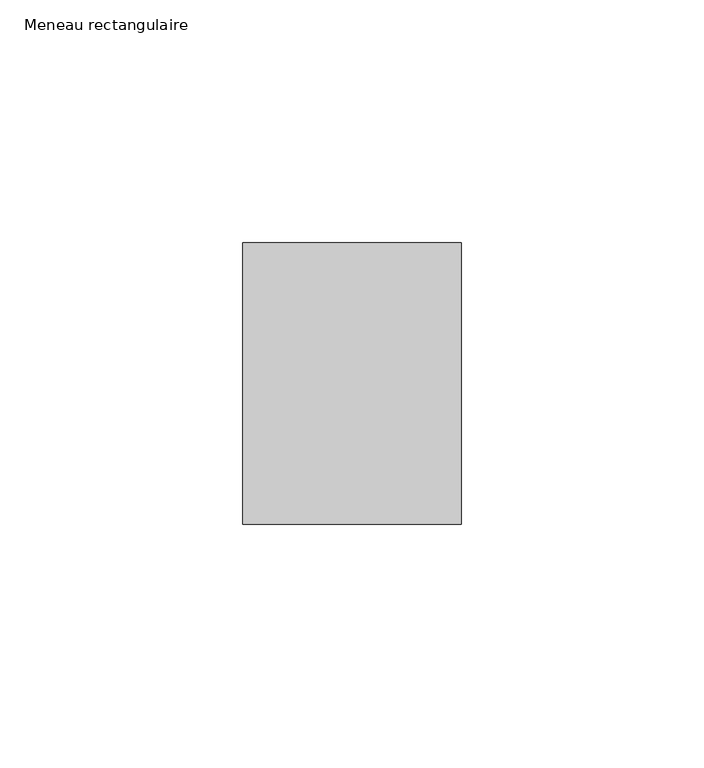
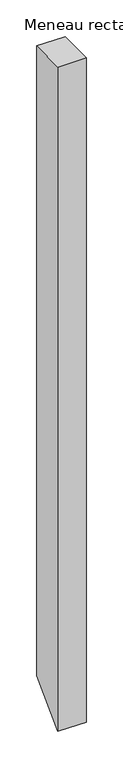
"""IFC4 building model written with IfcOpenShell, lengths in millimetres: member geometry, Meneau rectangulaire."""

import ifcopenshell
import ifcopenshell.guid

model = None  # the IFC model being written
_history = None  # IfcOwnerHistory: only IFC2X3 demands one
_inside = {}  # id of a spatial element -> (the spatial element, [elements in it])
_under = {}  # id of a project, library or spatial element -> (it, [spatial elements below it])
_declared = {}  # id of a project -> (the project, [libraries it declares])
_typed = {}  # id of a type object -> (the type object, [elements of that type])
_made_of = {}  # id of a material, layer set ... -> (it, [elements and type objects made of it])


def new_model(schema):
    """Start an empty IFC model of exactly this schema.

    Asked for "IFC4X3", IfcOpenShell would pick the latest addendum, in which some entities
    have other attributes; the version numbers below select the first issue.
    IFC2X3 requires an IfcOwnerHistory on every rooted entity: one is made here for all.
    """
    global model, _history
    if schema == "IFC4X3":
        model = ifcopenshell.file(schema_version=(4, 3, 0, 0))
    else:
        model = ifcopenshell.file(schema=schema)
    _inside.clear()
    _under.clear()
    _declared.clear()
    _typed.clear()
    _made_of.clear()
    _history = None
    if model.schema == "IFC2X3":
        org = make("IfcOrganization", Name="unknown")
        user = make(
            "IfcPersonAndOrganization",
            ThePerson=make("IfcPerson", FamilyName="unknown"),
            TheOrganization=org,
        )
        app = make(
            "IfcApplication",
            ApplicationDeveloper=org,
            Version="unknown",
            ApplicationFullName="unknown",
            ApplicationIdentifier="unknown",
        )
        _history = make(
            "IfcOwnerHistory",
            OwningUser=user,
            OwningApplication=app,
            ChangeAction="ADDED",
            CreationDate=0,
        )
    return model


def make(cls, **values):
    """One entity of the class cls with the attributes given. An attribute that is None is left unset."""
    return model.create_entity(
        cls, **{name: value for name, value in values.items() if value is not None}
    )


def rooted(cls, **values):
    """An entity with a GlobalId (a new one), such as an element, a storey or a relation."""
    return make(cls, GlobalId=ifcopenshell.guid.new(), OwnerHistory=_history, **values)


def si_unit(unit_type, name, prefix=None):
    """IfcSIUnit, for example si_unit("LENGTHUNIT", "METRE", prefix="MILLI")."""
    return make("IfcSIUnit", UnitType=unit_type, Prefix=prefix, Name=name)


def assignment(units):
    """IfcUnitAssignment: the units of a project."""
    return None if units is None else make("IfcUnitAssignment", Units=units)


def point(xyz):
    """IfcCartesianPoint."""
    return None if xyz is None else make("IfcCartesianPoint", Coordinates=xyz)


def direction(xyz):
    """IfcDirection."""
    return None if xyz is None else make("IfcDirection", DirectionRatios=xyz)


def frame(location, z_axis=None, x_axis=None):
    """IfcAxis2Placement3D, a coordinate frame: its origin and axes. An axis left out is left unset."""
    return make(
        "IfcAxis2Placement3D",
        Location=point(location),
        Axis=direction(z_axis),
        RefDirection=direction(x_axis),
    )


def origin():
    """The frame at (0, 0, 0) with its axes left unset."""
    return frame((0.0, 0.0, 0.0))


def place(relative_to, where):
    """IfcLocalPlacement: puts the frame where relative to a parent placement (None: the world)."""
    return make(
        "IfcLocalPlacement", PlacementRelTo=relative_to, RelativePlacement=where
    )


def context(
    kind, dimensions, precision=None, world=None, true_north=None, identifier=None
):
    """IfcGeometricRepresentationContext, for example the 3D "Model" context."""
    return make(
        "IfcGeometricRepresentationContext",
        ContextIdentifier=identifier,
        ContextType=kind,
        CoordinateSpaceDimension=dimensions,
        Precision=precision,
        WorldCoordinateSystem=world,
        TrueNorth=true_north,
    )


def project(units=None, contexts=None):
    """IfcProject with its units and contexts."""
    return rooted(
        "IfcProject",
        Name="project",
        RepresentationContexts=contexts,
        UnitsInContext=assignment(units),
    )


def spatial(cls, under=None, at=None, **own):
    """A site, building, storey or space (cls), placed at a placement, below another one or the project."""
    s = rooted(cls, ObjectPlacement=at, **own)
    if under is not None:
        _under.setdefault(under.id(), (under, []))[1].append(s)
    return s


def polyline(points):
    """IfcPolyline through the points."""
    return make("IfcPolyline", Points=[point(p) for p in points])


def outline(outer, holes=None, kind="AREA"):
    """IfcArbitraryClosedProfileDef: a profile drawn as a closed curve; with holes, ...WithVoids."""
    if holes is None:
        return make("IfcArbitraryClosedProfileDef", ProfileType=kind, OuterCurve=outer)
    return make(
        "IfcArbitraryProfileDefWithVoids",
        ProfileType=kind,
        OuterCurve=outer,
        InnerCurves=holes,
    )


def extrude(swept, where, along, depth):
    """IfcExtrudedAreaSolid: the profile swept, set in the frame where, extruded along a direction by depth."""
    return make(
        "IfcExtrudedAreaSolid",
        SweptArea=swept,
        Position=where,
        ExtrudedDirection=direction(along),
        Depth=depth,
    )


def shape(context_of_items, identifier, shape_type, items):
    """IfcShapeRepresentation: the items that make up one representation, for example the "Body"."""
    return make(
        "IfcShapeRepresentation",
        ContextOfItems=context_of_items,
        RepresentationIdentifier=identifier,
        RepresentationType=shape_type,
        Items=items,
    )


def source(mapping_origin, context_of_items, identifier, shape_type, items):
    """IfcRepresentationMap: a shape defined once, which mapped items show again and again."""
    return make(
        "IfcRepresentationMap",
        MappingOrigin=mapping_origin,
        MappedRepresentation=shape(context_of_items, identifier, shape_type, items),
    )


def transform(
    local_origin,
    x_axis=None,
    y_axis=None,
    z_axis=None,
    scale=None,
    scale2=None,
    scale3=None,
    uniform=True,
):
    """IfcCartesianTransformationOperator3D, or its non-uniform kind. x_axis, y_axis, z_axis: its Axis1, 2, 3."""
    if uniform:
        return make(
            "IfcCartesianTransformationOperator3D",
            Axis1=direction(x_axis),
            Axis2=direction(y_axis),
            LocalOrigin=point(local_origin),
            Scale=scale,
            Axis3=direction(z_axis),
        )
    return make(
        "IfcCartesianTransformationOperator3DnonUniform",
        Axis1=direction(x_axis),
        Axis2=direction(y_axis),
        LocalOrigin=point(local_origin),
        Scale=scale,
        Axis3=direction(z_axis),
        Scale2=scale2,
        Scale3=scale3,
    )


def mapped(mapping_source, mapping_target):
    """IfcMappedItem: shows the shape of a source again, moved by a transform."""
    return make(
        "IfcMappedItem", MappingSource=mapping_source, MappingTarget=mapping_target
    )


def made_of(thing, what):
    """Note that an element or type object is made of a material, layer set ...; save() writes the relation."""
    if what is not None:
        _made_of.setdefault(what.id(), (what, []))[1].append(thing)
    return thing


def element(
    cls,
    number,
    at=None,
    inside=None,
    cuts=None,
    type_object=None,
    material=None,
    context=None,
    identifier="Body",
    shape_type=None,
    held_by="IfcProductDefinitionShape",
    body=None,
    shapes=None,
    **own,
):
    """One element of the class cls, such as IfcWall. Its Tag is "e" and its number.

    at: its placement. inside: the storey or other place that contains it. cuts: it is an
    opening in that element (IfcRelVoidsElement). A single representation is given by context,
    identifier, shape_type and body (its items); several are given by shapes. held_by: the class
    of the entity that holds the representations. save() writes the other relations.
    """
    e = rooted(cls, Tag="e%d" % number, ObjectPlacement=at, **own)
    if body is not None:
        shapes = [shape(context, identifier, shape_type, body)]
    if shapes is not None:
        e.Representation = make(held_by, Representations=shapes)
    if inside is not None:
        _inside.setdefault(inside.id(), (inside, []))[1].append(e)
    if cuts is not None:
        rooted(
            "IfcRelVoidsElement", RelatingBuildingElement=cuts, RelatedOpeningElement=e
        )
    if type_object is not None:
        _typed.setdefault(type_object.id(), (type_object, []))[1].append(e)
    return made_of(e, material)


def aggregate(whole, parts):
    """IfcRelAggregates: a whole, such as a stair, and the parts it consists of."""
    return rooted("IfcRelAggregates", RelatingObject=whole, RelatedObjects=parts)


def save(model, path):
    """Write the relations noted so far, then the file.

    IfcRelAggregates (storeys below a building ...), IfcRelContainedInSpatialStructure (elements
    in a storey), IfcRelDefinesByType, IfcRelAssociatesMaterial and IfcRelDeclares: one each for
    every whole, place, type object, material and project.
    """
    for whole, parts in _under.values():
        aggregate(whole, parts)
    for where, things in _inside.values():
        rooted(
            "IfcRelContainedInSpatialStructure",
            RelatedElements=things,
            RelatingStructure=where,
        )
    for kind, things in _typed.values():
        rooted("IfcRelDefinesByType", RelatedObjects=things, RelatingType=kind)
    for what, things in _made_of.values():
        rooted("IfcRelAssociatesMaterial", RelatedObjects=things, RelatingMaterial=what)
    for by, libraries in _declared.values():
        rooted("IfcRelDeclares", RelatingContext=by, RelatedDefinitions=libraries)
    model.write(path)


def meneau_rectangulaire_f548c037(model_context):
    return source(origin(), model_context, "Body", "SweptSolid", [
        extrude(outline(polyline([(-29.0, 0.0), (29.0, 0.0), (29.0, -1052.0497356), (-29.0, -1110.0497356), (-29.0, 0.0)])), frame((-45.0, 0.0, 0.0), z_axis=(1.0, 0.0, 0.0), x_axis=(0.0, 1.0, 0.0)), (0.0, 0.0, 1.0), 45.0),
    ])


if __name__ == "__main__":
    model = new_model("IFC4")
    model_context = context("Model", 3, world=origin())
    ifc_project = project(units=[si_unit("LENGTHUNIT", "METRE", prefix="MILLI")], contexts=[model_context])
    site = spatial("IfcSite", under=ifc_project)
    building = spatial("IfcBuilding", under=site)
    placement = place(None, origin())
    meneau_rectangulaire_shape = meneau_rectangulaire_f548c037(model_context)
    element("IfcMember", 1, ObjectType="Meneau rectangulaire", at=placement, inside=building, context=model_context, shape_type="MappedRepresentation", body=[
        mapped(meneau_rectangulaire_shape, transform((0.0, 0.0, 0.0), x_axis=(1.0, 0.0, 0.0), y_axis=(0.0, 1.0, 0.0), z_axis=(0.0, 0.0, 1.0))),
    ])
    save(model, "model.ifc")
